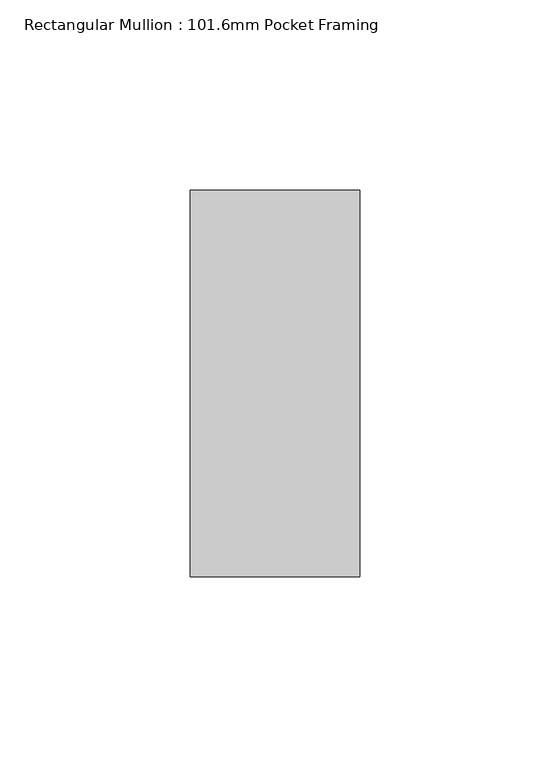
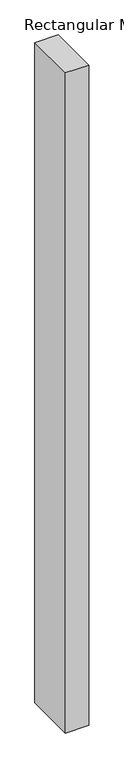
"""IFC4 building model written with IfcOpenShell, lengths in millimetres: member geometry, Rectangular Mullion : 101.6mm Pocket Framing."""

from ifc_helpers import new_model, si_unit, frame, origin, place, context, project, spatial, polyline, outline, extrude, source, transform, mapped, element, save


def rectangular_mullion_101_6mm_pocket_framing_99c99ffd(model_context):
    return source(origin(), model_context, "Body", "SweptSolid", [
        extrude(outline(polyline([(22.3, 50.8), (22.3, -50.8), (-22.2, -50.8), (-22.2, 50.8), (22.3, 50.8)])), frame((0.0, 0.0, -1340.0), z_axis=(0.0, 0.0, 1.0), x_axis=(1.0, 0.0, 0.0)), (0.0, 0.0, 1.0), 1340.0),
    ])


if __name__ == "__main__":
    model = new_model("IFC4")
    model_context = context("Model", 3, world=origin())
    ifc_project = project(units=[si_unit("LENGTHUNIT", "METRE", prefix="MILLI")], contexts=[model_context])
    site = spatial("IfcSite", under=ifc_project)
    building = spatial("IfcBuilding", under=site)
    placement = place(None, origin())
    rectangular_mullion_101_6mm_pocket_framing_shape = rectangular_mullion_101_6mm_pocket_framing_99c99ffd(model_context)
    element("IfcMember", 1, ObjectType="Rectangular Mullion : 101.6mm Pocket Framing", at=placement, inside=building, context=model_context, shape_type="MappedRepresentation", body=[
        mapped(rectangular_mullion_101_6mm_pocket_framing_shape, transform((0.0, 0.0, 0.0), x_axis=(1.0, 0.0, 0.0), y_axis=(0.0, 1.0, 0.0), z_axis=(0.0, 0.0, 1.0))),
    ])
    save(model, "model.ifc")
